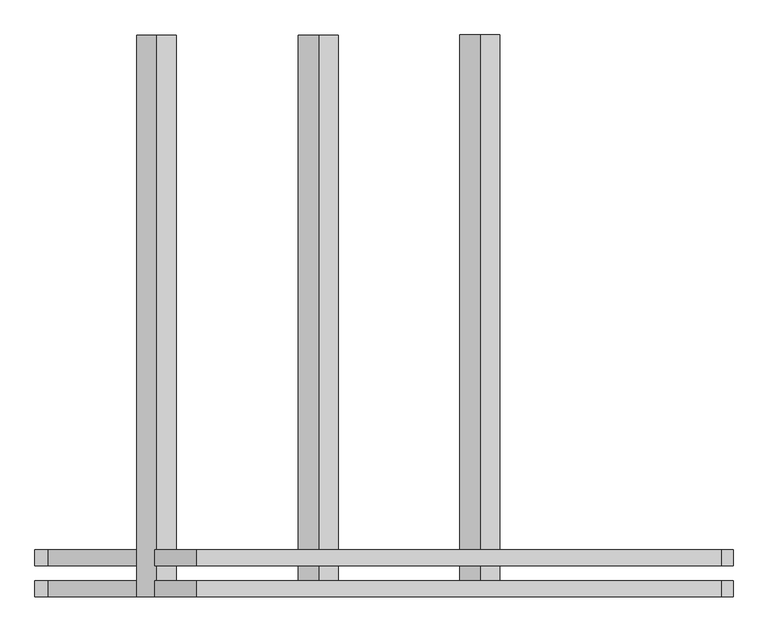
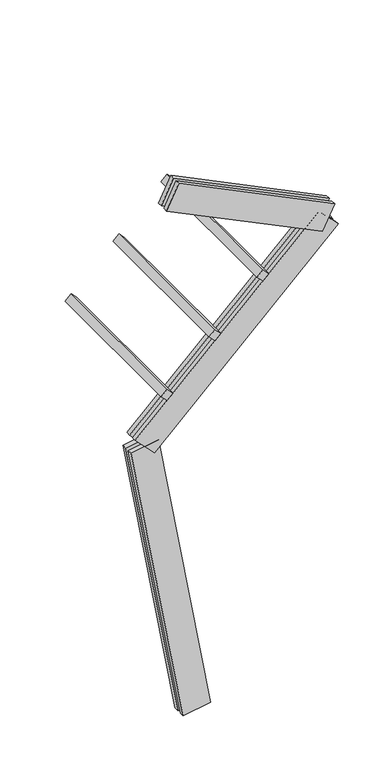
"""IFC4 building model written with IfcOpenShell, lengths in millimetres: proxy geometry."""

from ifc_helpers import new_model, si_unit, frame, origin, place, context, project, spatial, polyline, outline, extrude, source, transform, mapped, element, save


def generic_models_3c3bc0b4(model_context):
    return source(origin(), model_context, "Body", "SweptSolid", [
        extrude(outline(polyline([(1500.0, 0.0), (0.0, 0.0), (0.0, 75.0), (1500.0, 75.0), (1500.0, 0.0)])), frame((-213.9959708, -62.5, 3078.8611341), z_axis=(-0.6946583704589966, 0.0, 0.719339800338652), x_axis=(0.0, 1.0, 0.0)), (0.0, 0.0, 1.0), 75.0),
        extrude(outline(polyline([(1500.0, 0.0), (0.0, 0.0), (0.0, 75.0000001), (1500.0, 75.0000001), (1500.0, 0.0)])), frame((217.6079094, -62.5, 3495.6561564), z_axis=(-0.6946583704589966, 0.0, 0.719339800338652), x_axis=(0.0, 1.0, 0.0)), (0.0, 0.0, 1.0), 75.0),
        extrude(outline(polyline([(1500.0, 0.0), (0.0, 0.0), (0.0, 75.0000001), (1500.0, 75.0000001), (1500.0, 0.0)])), frame((649.2117896, -62.5, 3912.4511787), z_axis=(-0.6946583704589966, 0.0, 0.719339800338652), x_axis=(0.0, 1.0, 0.0)), (0.0, 0.0, 1.0), 75.0),
        extrude(outline(polyline([(1560.0, 125.0), (1560.0, 82.5), (0.0, 82.5), (0.0, 125.0), (1560.0, 125.0)])), frame((1130.8350677, 62.5, 4144.3459294), z_axis=(0.43837114678908, 0.0, 0.8987940462991657), x_axis=(-0.8987940462991657, 0.0, 0.43837114678908)), (0.0, 0.0, 1.0), 250.0),
        extrude(outline(polyline([(0.0, 0.0), (0.0, 42.5), (1560.0, 42.5), (1560.0, 0.0), (0.0, 0.0)])), frame((1130.8350677, 62.5, 4144.3459294), z_axis=(0.43837114678908, 0.0, 0.8987940462991657), x_axis=(-0.8987940462991657, 0.0, 0.43837114678908)), (0.0, 0.0, 1.0), 250.0),
        extrude(outline(polyline([(2300.0, 125.0), (2300.0, 82.5), (0.0, 82.5), (0.0, 125.0), (2300.0, 125.0)])), frame((1272.4637574, 62.5, 4166.7777101), z_axis=(-0.6946583704589966, 0.0, 0.719339800338652), x_axis=(-0.719339800338652, 0.0, -0.6946583704589966)), (0.0, 0.0, 1.0), 250.0),
        extrude(outline(polyline([(0.0, 0.0), (0.0, 42.5), (2300.0, 42.5), (2300.0, 0.0), (0.0, 0.0)])), frame((1272.4637574, 62.5, 4166.7777101), z_axis=(-0.6946583704589966, 0.0, 0.719339800338652), x_axis=(-0.719339800338652, 0.0, -0.6946583704589966)), (0.0, 0.0, 1.0), 250.0),
        extrude(outline(polyline([(-125.0, 249.9999999), (-82.5, 249.9999999), (-82.5, 0.0), (-125.0, 0.0), (-125.0, 249.9999999)])), frame((123.1009691, 62.5, 21.7060222), z_axis=(-0.17364817766693158, 0.0, 0.9848077530122079), x_axis=(0.0, 1.0, 0.0)), (0.0, 0.0, 1.0), 2700.0),
        extrude(outline(polyline([(0.0, 0.0), (-42.5, 0.0), (-42.5, 249.9999999), (0.0, 249.9999999), (0.0, 0.0)])), frame((123.1009691, 62.5, 21.7060222), z_axis=(-0.17364817766693158, 0.0, 0.9848077530122079), x_axis=(0.0, 1.0, 0.0)), (0.0, 0.0, 1.0), 2700.0),
    ])


if __name__ == "__main__":
    model = new_model("IFC4")
    model_context = context("Model", 3, world=origin())
    ifc_project = project(units=[si_unit("LENGTHUNIT", "METRE", prefix="MILLI")], contexts=[model_context])
    site = spatial("IfcSite", under=ifc_project)
    building = spatial("IfcBuilding", under=site)
    placement = place(None, origin())
    generic_models_shape = generic_models_3c3bc0b4(model_context)
    element("IfcBuildingElementProxy", 1, Name="Generic Models", at=placement, inside=building, context=model_context, shape_type="MappedRepresentation", body=[
        mapped(generic_models_shape, transform((0.0, 0.0, 0.0), x_axis=(1.0, 0.0, 0.0), y_axis=(0.0, 1.0, 0.0), z_axis=(0.0, 0.0, 1.0))),
    ])
    save(model, "model.ifc")
